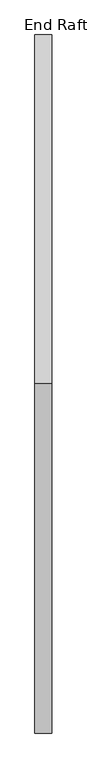
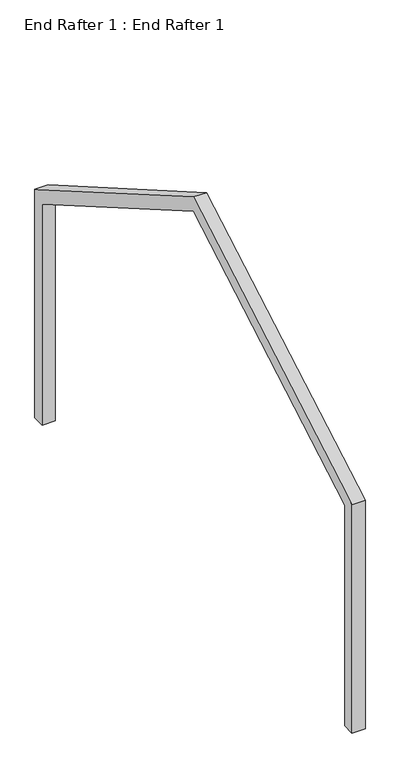
"""IFC4 building model written with IfcOpenShell, lengths in millimetres: proxy geometry, End Rafter 1 : End Rafter 1."""

from ifc_helpers import new_model, si_unit, origin, place, context, project, spatial, faceted_brep, source, transform, mapped, element, save


def end_rafter_1_end_rafter_1_ba035b55(model_context):
    return source(origin(), model_context, "Body", "Brep", [
        faceted_brep([(16804.0098685, -22569.257695, -2088.7854236), (16804.0098685, -22463.4376179, -2088.7854236), (16916.3543783, -22463.4376179, -2088.7854236), (16916.3543783, -22569.257695, -2088.7854236), (16916.3543783, -22569.257695, -45.6961434), (16804.0098685, -22569.257695, -45.6430593), (16804.0098685, -22569.257695, -100.3926785), (16916.3543783, -22463.4376179, -113.7714348), (16916.3543783, -20244.7455693, 1166.796748), (16916.3543783, -18026.0535208, -113.7714348), (16916.3543783, -18026.0535208, -2088.7854236), (16916.3543783, -17920.2334436, -2088.7854236), (16916.3543783, -17920.2334436, -45.6961434), (16916.3543783, -20244.78251, 1296.02289), (16804.0098685, -22463.4376179, -113.7714348), (16804.0098685, -22521.8754604, -18.2953333), (16804.0098685, -20244.7086287, 1296.02289), (16804.0098685, -17967.634433, -18.2845086), (16804.0098685, -17920.2104662, -45.6563212), (16804.0098685, -17920.2334436, -100.3926785), (16804.0098685, -17920.2334436, -2088.7854236), (16804.0098685, -18026.0535208, -2088.7854236), (16804.0098685, -18026.0535208, -113.7714348), (16804.0098685, -20244.7455693, 1166.796748)], [[[0, 1, 2, 3]], [[0, 3, 4, 5, 6]], [[3, 2, 7, 8, 9, 10, 11, 12, 13, 4]], [[2, 1, 14, 7]], [[1, 0, 6, 5, 15, 16, 17, 18, 19, 20, 21, 22, 23, 14]], [[20, 11, 10, 21]], [[11, 20, 19, 18, 12]], [[21, 10, 9, 22]], [[8, 23, 22, 9]], [[13, 12, 18, 17, 16]], [[7, 14, 23, 8]], [[4, 13, 16, 15, 5]]]),
    ])


if __name__ == "__main__":
    model = new_model("IFC4")
    model_context = context("Model", 3, world=origin())
    ifc_project = project(units=[si_unit("LENGTHUNIT", "METRE", prefix="MILLI")], contexts=[model_context])
    site = spatial("IfcSite", under=ifc_project)
    building = spatial("IfcBuilding", under=site)
    placement = place(None, origin())
    end_rafter_1_end_rafter_1_shape = end_rafter_1_end_rafter_1_ba035b55(model_context)
    element("IfcBuildingElementProxy", 1, Name="End Rafter 1 : End Rafter 1", ObjectType="End Rafter 1 : End Rafter 1", at=placement, inside=building, context=model_context, shape_type="MappedRepresentation", body=[
        mapped(end_rafter_1_end_rafter_1_shape, transform((0.0, 0.0, 0.0), x_axis=(1.0, 0.0, 0.0), y_axis=(0.0, 1.0, 0.0), z_axis=(0.0, 0.0, 1.0))),
    ])
    save(model, "model.ifc")
